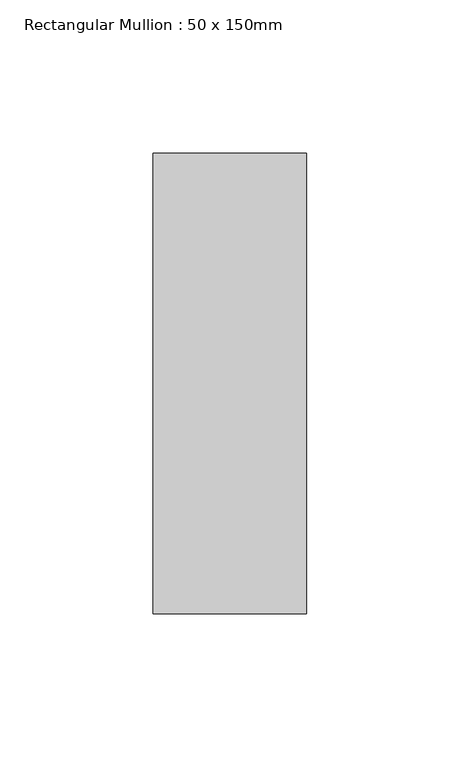
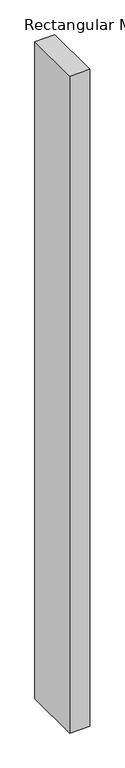
"""IFC4 building model written with IfcOpenShell, lengths in millimetres: member geometry, Rectangular Mullion : 50 x 150mm."""

import ifcopenshell
import ifcopenshell.guid

model = None  # the IFC model being written
_history = None  # IfcOwnerHistory: only IFC2X3 demands one
_inside = {}  # id of a spatial element -> (the spatial element, [elements in it])
_under = {}  # id of a project, library or spatial element -> (it, [spatial elements below it])
_declared = {}  # id of a project -> (the project, [libraries it declares])
_typed = {}  # id of a type object -> (the type object, [elements of that type])
_made_of = {}  # id of a material, layer set ... -> (it, [elements and type objects made of it])


def new_model(schema):
    """Start an empty IFC model of exactly this schema.

    Asked for "IFC4X3", IfcOpenShell would pick the latest addendum, in which some entities
    have other attributes; the version numbers below select the first issue.
    IFC2X3 requires an IfcOwnerHistory on every rooted entity: one is made here for all.
    """
    global model, _history
    if schema == "IFC4X3":
        model = ifcopenshell.file(schema_version=(4, 3, 0, 0))
    else:
        model = ifcopenshell.file(schema=schema)
    _inside.clear()
    _under.clear()
    _declared.clear()
    _typed.clear()
    _made_of.clear()
    _history = None
    if model.schema == "IFC2X3":
        org = make("IfcOrganization", Name="unknown")
        user = make(
            "IfcPersonAndOrganization",
            ThePerson=make("IfcPerson", FamilyName="unknown"),
            TheOrganization=org,
        )
        app = make(
            "IfcApplication",
            ApplicationDeveloper=org,
            Version="unknown",
            ApplicationFullName="unknown",
            ApplicationIdentifier="unknown",
        )
        _history = make(
            "IfcOwnerHistory",
            OwningUser=user,
            OwningApplication=app,
            ChangeAction="ADDED",
            CreationDate=0,
        )
    return model


def make(cls, **values):
    """One entity of the class cls with the attributes given. An attribute that is None is left unset."""
    return model.create_entity(
        cls, **{name: value for name, value in values.items() if value is not None}
    )


def rooted(cls, **values):
    """An entity with a GlobalId (a new one), such as an element, a storey or a relation."""
    return make(cls, GlobalId=ifcopenshell.guid.new(), OwnerHistory=_history, **values)


def si_unit(unit_type, name, prefix=None):
    """IfcSIUnit, for example si_unit("LENGTHUNIT", "METRE", prefix="MILLI")."""
    return make("IfcSIUnit", UnitType=unit_type, Prefix=prefix, Name=name)


def assignment(units):
    """IfcUnitAssignment: the units of a project."""
    return None if units is None else make("IfcUnitAssignment", Units=units)


def point(xyz):
    """IfcCartesianPoint."""
    return None if xyz is None else make("IfcCartesianPoint", Coordinates=xyz)


def direction(xyz):
    """IfcDirection."""
    return None if xyz is None else make("IfcDirection", DirectionRatios=xyz)


def frame(location, z_axis=None, x_axis=None):
    """IfcAxis2Placement3D, a coordinate frame: its origin and axes. An axis left out is left unset."""
    return make(
        "IfcAxis2Placement3D",
        Location=point(location),
        Axis=direction(z_axis),
        RefDirection=direction(x_axis),
    )


def origin():
    """The frame at (0, 0, 0) with its axes left unset."""
    return frame((0.0, 0.0, 0.0))


def place(relative_to, where):
    """IfcLocalPlacement: puts the frame where relative to a parent placement (None: the world)."""
    return make(
        "IfcLocalPlacement", PlacementRelTo=relative_to, RelativePlacement=where
    )


def context(
    kind, dimensions, precision=None, world=None, true_north=None, identifier=None
):
    """IfcGeometricRepresentationContext, for example the 3D "Model" context."""
    return make(
        "IfcGeometricRepresentationContext",
        ContextIdentifier=identifier,
        ContextType=kind,
        CoordinateSpaceDimension=dimensions,
        Precision=precision,
        WorldCoordinateSystem=world,
        TrueNorth=true_north,
    )


def project(units=None, contexts=None):
    """IfcProject with its units and contexts."""
    return rooted(
        "IfcProject",
        Name="project",
        RepresentationContexts=contexts,
        UnitsInContext=assignment(units),
    )


def spatial(cls, under=None, at=None, **own):
    """A site, building, storey or space (cls), placed at a placement, below another one or the project."""
    s = rooted(cls, ObjectPlacement=at, **own)
    if under is not None:
        _under.setdefault(under.id(), (under, []))[1].append(s)
    return s


def polyline(points):
    """IfcPolyline through the points."""
    return make("IfcPolyline", Points=[point(p) for p in points])


def outline(outer, holes=None, kind="AREA"):
    """IfcArbitraryClosedProfileDef: a profile drawn as a closed curve; with holes, ...WithVoids."""
    if holes is None:
        return make("IfcArbitraryClosedProfileDef", ProfileType=kind, OuterCurve=outer)
    return make(
        "IfcArbitraryProfileDefWithVoids",
        ProfileType=kind,
        OuterCurve=outer,
        InnerCurves=holes,
    )


def extrude(swept, where, along, depth):
    """IfcExtrudedAreaSolid: the profile swept, set in the frame where, extruded along a direction by depth."""
    return make(
        "IfcExtrudedAreaSolid",
        SweptArea=swept,
        Position=where,
        ExtrudedDirection=direction(along),
        Depth=depth,
    )


def shape(context_of_items, identifier, shape_type, items):
    """IfcShapeRepresentation: the items that make up one representation, for example the "Body"."""
    return make(
        "IfcShapeRepresentation",
        ContextOfItems=context_of_items,
        RepresentationIdentifier=identifier,
        RepresentationType=shape_type,
        Items=items,
    )


def source(mapping_origin, context_of_items, identifier, shape_type, items):
    """IfcRepresentationMap: a shape defined once, which mapped items show again and again."""
    return make(
        "IfcRepresentationMap",
        MappingOrigin=mapping_origin,
        MappedRepresentation=shape(context_of_items, identifier, shape_type, items),
    )


def transform(
    local_origin,
    x_axis=None,
    y_axis=None,
    z_axis=None,
    scale=None,
    scale2=None,
    scale3=None,
    uniform=True,
):
    """IfcCartesianTransformationOperator3D, or its non-uniform kind. x_axis, y_axis, z_axis: its Axis1, 2, 3."""
    if uniform:
        return make(
            "IfcCartesianTransformationOperator3D",
            Axis1=direction(x_axis),
            Axis2=direction(y_axis),
            LocalOrigin=point(local_origin),
            Scale=scale,
            Axis3=direction(z_axis),
        )
    return make(
        "IfcCartesianTransformationOperator3DnonUniform",
        Axis1=direction(x_axis),
        Axis2=direction(y_axis),
        LocalOrigin=point(local_origin),
        Scale=scale,
        Axis3=direction(z_axis),
        Scale2=scale2,
        Scale3=scale3,
    )


def mapped(mapping_source, mapping_target):
    """IfcMappedItem: shows the shape of a source again, moved by a transform."""
    return make(
        "IfcMappedItem", MappingSource=mapping_source, MappingTarget=mapping_target
    )


def made_of(thing, what):
    """Note that an element or type object is made of a material, layer set ...; save() writes the relation."""
    if what is not None:
        _made_of.setdefault(what.id(), (what, []))[1].append(thing)
    return thing


def element(
    cls,
    number,
    at=None,
    inside=None,
    cuts=None,
    type_object=None,
    material=None,
    context=None,
    identifier="Body",
    shape_type=None,
    held_by="IfcProductDefinitionShape",
    body=None,
    shapes=None,
    **own,
):
    """One element of the class cls, such as IfcWall. Its Tag is "e" and its number.

    at: its placement. inside: the storey or other place that contains it. cuts: it is an
    opening in that element (IfcRelVoidsElement). A single representation is given by context,
    identifier, shape_type and body (its items); several are given by shapes. held_by: the class
    of the entity that holds the representations. save() writes the other relations.
    """
    e = rooted(cls, Tag="e%d" % number, ObjectPlacement=at, **own)
    if body is not None:
        shapes = [shape(context, identifier, shape_type, body)]
    if shapes is not None:
        e.Representation = make(held_by, Representations=shapes)
    if inside is not None:
        _inside.setdefault(inside.id(), (inside, []))[1].append(e)
    if cuts is not None:
        rooted(
            "IfcRelVoidsElement", RelatingBuildingElement=cuts, RelatedOpeningElement=e
        )
    if type_object is not None:
        _typed.setdefault(type_object.id(), (type_object, []))[1].append(e)
    return made_of(e, material)


def aggregate(whole, parts):
    """IfcRelAggregates: a whole, such as a stair, and the parts it consists of."""
    return rooted("IfcRelAggregates", RelatingObject=whole, RelatedObjects=parts)


def save(model, path):
    """Write the relations noted so far, then the file.

    IfcRelAggregates (storeys below a building ...), IfcRelContainedInSpatialStructure (elements
    in a storey), IfcRelDefinesByType, IfcRelAssociatesMaterial and IfcRelDeclares: one each for
    every whole, place, type object, material and project.
    """
    for whole, parts in _under.values():
        aggregate(whole, parts)
    for where, things in _inside.values():
        rooted(
            "IfcRelContainedInSpatialStructure",
            RelatedElements=things,
            RelatingStructure=where,
        )
    for kind, things in _typed.values():
        rooted("IfcRelDefinesByType", RelatedObjects=things, RelatingType=kind)
    for what, things in _made_of.values():
        rooted("IfcRelAssociatesMaterial", RelatedObjects=things, RelatingMaterial=what)
    for by, libraries in _declared.values():
        rooted("IfcRelDeclares", RelatingContext=by, RelatedDefinitions=libraries)
    model.write(path)


def rectangular_mullion_50_x_150mm_8c816b59(model_context):
    return source(origin(), model_context, "Body", "SweptSolid", [
        extrude(outline(polyline([(0.0, 75.0), (0.0, -75.0), (-50.0, -75.0), (-50.0, 75.0), (0.0, 75.0)])), frame((0.0, 0.0, -1730.0), z_axis=(0.0, 0.0, 1.0), x_axis=(1.0, 0.0, 0.0)), (0.0, 0.0, 1.0), 1730.0),
    ])


if __name__ == "__main__":
    model = new_model("IFC4")
    model_context = context("Model", 3, world=origin())
    ifc_project = project(units=[si_unit("LENGTHUNIT", "METRE", prefix="MILLI")], contexts=[model_context])
    site = spatial("IfcSite", under=ifc_project)
    building = spatial("IfcBuilding", under=site)
    placement = place(None, origin())
    rectangular_mullion_50_x_150mm_shape = rectangular_mullion_50_x_150mm_8c816b59(model_context)
    element("IfcMember", 1, ObjectType="Rectangular Mullion : 50 x 150mm", at=placement, inside=building, context=model_context, shape_type="MappedRepresentation", body=[
        mapped(rectangular_mullion_50_x_150mm_shape, transform((0.0, 0.0, 0.0), x_axis=(1.0, 0.0, 0.0), y_axis=(0.0, 1.0, 0.0), z_axis=(0.0, 0.0, 1.0))),
    ])
    save(model, "model.ifc")
